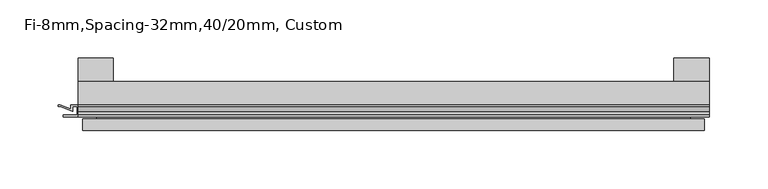
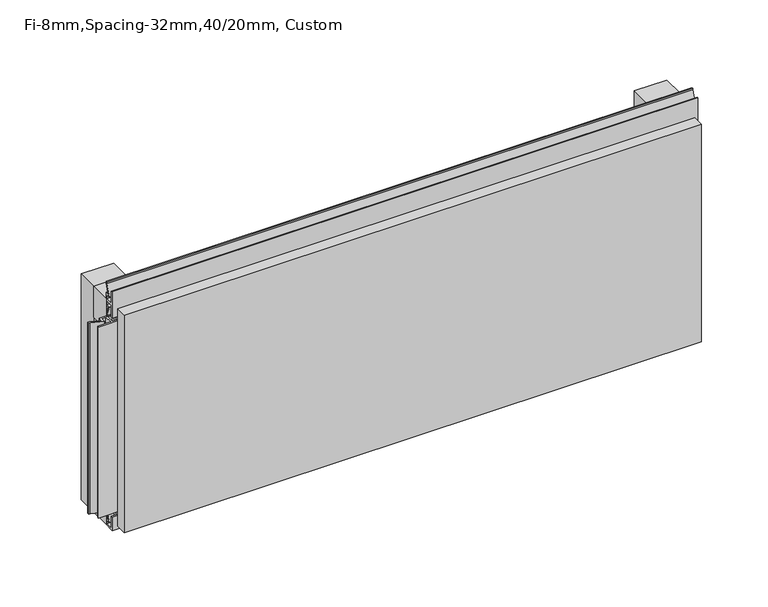
"""IFC4 building model written with IfcOpenShell, lengths in millimetres: plate geometry, Fi-8mm,Spacing-32mm,40/20mm, Custom."""

from ifc_helpers import new_model, si_unit, frame, origin, origin_with_axes, place, context, project, spatial, polyline, outline, extrude, faceted_brep, source, transform, mapped, element, save


def fi_8mm_spacing_32mm_40_20mm_custom_264973ce(model_context):
    return source(origin(), model_context, "Body", "SolidModel", [
        extrude(outline(polyline([(-270.0, -40.0), (-270.0, -20.0), (270.0, -20.0), (270.0, -40.0), (-270.0, -40.0)])), frame((0.0, 0.0, 190.0), z_axis=(0.0, 0.0, 1.0), x_axis=(1.0, 0.0, 0.0)), (0.0, 0.0, 1.0), 30.0),
        extrude(outline(polyline([(-270.0, -40.0), (-270.0, -20.0), (270.0, -20.0), (270.0, -40.0), (-270.0, -40.0)])), origin_with_axes(), (0.0, 0.0, 1.0), 30.0),
        extrude(outline(polyline([(240.0, 0.0), (270.0, 0.0), (270.0, -20.0), (240.0, -20.0), (240.0, 0.0)])), origin_with_axes(), (0.0, 0.0, 1.0), 220.0),
        extrude(outline(polyline([(-240.0, 0.0), (-240.0, -20.0), (-270.0, -20.0), (-270.0, 0.0), (-240.0, 0.0)])), origin_with_axes(), (0.0, 0.0, 1.0), 220.0),
        extrude(outline(polyline([(-40.0, 6.299084), (-40.0, 0.0), (-50.1, 0.0), (-50.1, 13.4156807), (-48.7, 13.4156807), (-48.7, 1.4156807), (-41.4, 1.4156807), (-41.4, 4.899084), (-45.5140545, 4.899084), (-41.4553267, 15.5703394), (-41.4553267, 22.991548), (-40.0553267, 22.991548), (-40.0553267, 15.3558599), (-43.5, 6.299084), (-40.0, 6.299084)])), frame((-270.0, 0.0, 0.0), z_axis=(1.0, 0.0, 0.0), x_axis=(0.0, 1.0, 0.0)), (0.0, 0.0, 1.0), 540.0),
        extrude(outline(polyline([(263.700916, -40.0), (270.0, -40.0), (270.0, -50.1), (256.5843193, -50.1), (256.5843193, -48.7), (268.5843193, -48.7), (268.5843193, -41.4), (265.100916, -41.4), (265.100916, -45.5140545), (254.4296606, -41.4553267), (247.008452, -41.4553267), (247.008452, -40.0553267), (254.6441401, -40.0553267), (263.700916, -43.5), (263.700916, -40.0)])), frame((0.0, 0.0, 16.9558599), z_axis=(0.0, 0.0, 1.0), x_axis=(1.0, 0.0, 0.0)), (0.0, 0.0, 1.0), 186.0882802),
        extrude(outline(polyline([(-270.899084, -48.7), (-270.899084, -41.4), (-274.899084, -41.4), (-274.899084, -45.5140545), (-285.5703394, -41.4553267), (-286.9558599, -41.4553267), (-286.9558599, -40.0553267), (-285.3558599, -40.0553267), (-276.299084, -43.5), (-276.299084, -40.0), (-263.700916, -40.0), (-263.700916, -43.5), (-254.6441401, -40.0553267), (-253.0441401, -40.0553267), (-253.0441401, -41.4553267), (-254.4296606, -41.4553267), (-265.100916, -45.5140545), (-265.100916, -41.4), (-269.100916, -41.4), (-269.100916, -48.7), (-257.100916, -48.7), (-257.100916, -50.1), (-282.899084, -50.1), (-282.899084, -48.7), (-270.899084, -48.7)])), frame((0.0, 0.0, 16.9558599), z_axis=(0.0, 0.0, 1.0), x_axis=(1.0, 0.0, 0.0)), (0.0, 0.0, 1.0), 186.0882802),
        extrude(outline(polyline([(-48.7, 220.899084), (-41.4, 220.899084), (-41.4, 224.899084), (-45.5140545, 224.899084), (-41.4553267, 235.5703394), (-41.4553267, 236.9558599), (-40.0553267, 236.9558599), (-40.0553267, 235.3558599), (-43.5, 226.299084), (-40.0, 226.299084), (-40.0, 213.700916), (-43.5, 213.700916), (-40.0553267, 204.6441401), (-40.0553267, 203.0441401), (-41.4553267, 203.0441401), (-41.4553267, 204.4296606), (-45.5140545, 215.100916), (-41.4, 215.100916), (-41.4, 219.100916), (-48.7, 219.100916), (-48.7, 207.100916), (-50.1, 207.100916), (-50.1, 232.899084), (-48.7, 232.899084), (-48.7, 220.899084)])), frame((-270.0, 0.0, 0.0), z_axis=(1.0, 0.0, 0.0), x_axis=(0.0, 1.0, 0.0)), (0.0, 0.0, 1.0), 540.0),
        faceted_brep([(266.0, -45.9, 216.0), (-266.0, -45.9, 216.0), (-266.0, -48.7, 216.0), (266.0, -48.7, 216.0), (-266.0, -61.9, 216.0), (266.0, -61.9, 216.0), (266.0, -51.9, 216.0), (-266.0, -51.9, 216.0), (-266.0, -45.9, 4.0), (266.0, -45.9, 4.0), (266.0, -48.7, 4.0), (-266.0, -48.7, 4.0), (266.0, -61.9, 4.0), (-266.0, -61.9, 4.0), (-266.0, -51.9, 4.0), (266.0, -51.9, 4.0), (254.0, -51.9, 204.0), (254.0, -51.9, 16.0), (254.0, -48.7, 16.0), (254.0, -48.7, 204.0), (-254.0, -51.9, 16.0), (-254.0, -48.7, 16.0), (-254.0, -51.9, 204.0), (-254.0, -48.7, 204.0)], [[[0, 1, 2, 3]], [[4, 5, 6, 7]], [[8, 9, 10, 11]], [[12, 13, 14, 15]], [[1, 0, 9, 8]], [[1, 8, 11, 2]], [[13, 4, 7, 14]], [[5, 4, 13, 12]], [[9, 0, 3, 10]], [[5, 12, 15, 6]], [[16, 17, 18, 19]], [[18, 17, 20, 21]], [[21, 20, 22, 23]], [[16, 19, 23, 22]], [[7, 6, 15, 14], [17, 16, 22, 20]], [[3, 2, 11, 10], [19, 18, 21, 23]]]),
    ])


if __name__ == "__main__":
    model = new_model("IFC4")
    model_context = context("Model", 3, world=origin())
    ifc_project = project(units=[si_unit("LENGTHUNIT", "METRE", prefix="MILLI")], contexts=[model_context])
    site = spatial("IfcSite", under=ifc_project)
    building = spatial("IfcBuilding", under=site)
    placement = place(None, origin())
    fi_8mm_spacing_32mm_40_20mm_custom_shape = fi_8mm_spacing_32mm_40_20mm_custom_264973ce(model_context)
    element("IfcPlate", 1, ObjectType="Fi-8mm,Spacing-32mm,40/20mm, Custom", at=placement, inside=building, context=model_context, shape_type="MappedRepresentation", body=[
        mapped(fi_8mm_spacing_32mm_40_20mm_custom_shape, transform((0.0, 0.0, 0.0), x_axis=(1.0, 0.0, 0.0), y_axis=(0.0, 1.0, 0.0), z_axis=(0.0, 0.0, 1.0))),
    ])
    save(model, "model.ifc")
